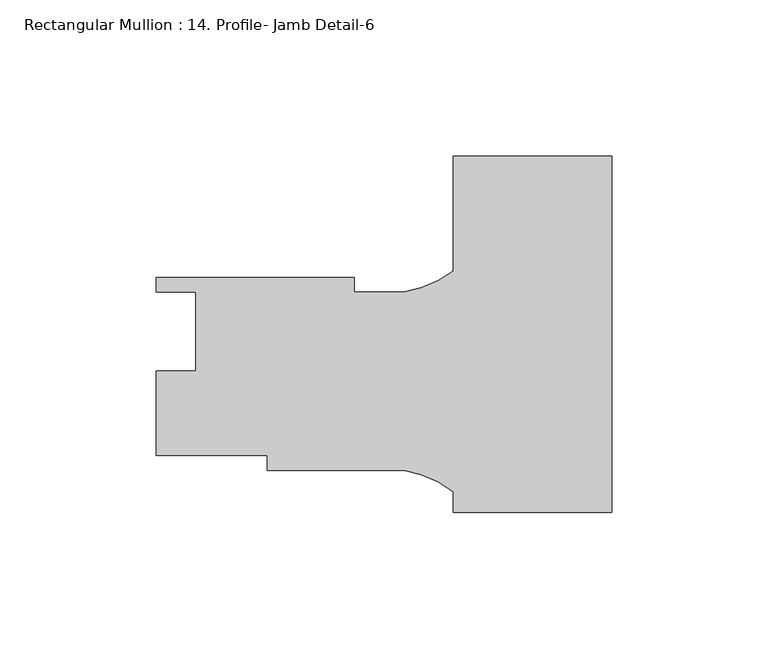
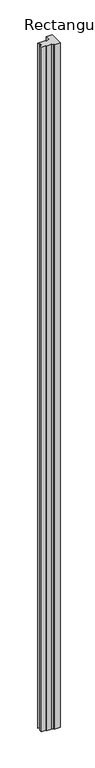
"""IFC4 building model written with IfcOpenShell, lengths in millimetres: member geometry, Rectangular Mullion : 14. Profile- Jamb Detail-6."""

import ifcopenshell
import ifcopenshell.guid

model = None  # the IFC model being written
_history = None  # IfcOwnerHistory: only IFC2X3 demands one
_inside = {}  # id of a spatial element -> (the spatial element, [elements in it])
_under = {}  # id of a project, library or spatial element -> (it, [spatial elements below it])
_declared = {}  # id of a project -> (the project, [libraries it declares])
_typed = {}  # id of a type object -> (the type object, [elements of that type])
_made_of = {}  # id of a material, layer set ... -> (it, [elements and type objects made of it])


def new_model(schema):
    """Start an empty IFC model of exactly this schema.

    Asked for "IFC4X3", IfcOpenShell would pick the latest addendum, in which some entities
    have other attributes; the version numbers below select the first issue.
    IFC2X3 requires an IfcOwnerHistory on every rooted entity: one is made here for all.
    """
    global model, _history
    if schema == "IFC4X3":
        model = ifcopenshell.file(schema_version=(4, 3, 0, 0))
    else:
        model = ifcopenshell.file(schema=schema)
    _inside.clear()
    _under.clear()
    _declared.clear()
    _typed.clear()
    _made_of.clear()
    _history = None
    if model.schema == "IFC2X3":
        org = make("IfcOrganization", Name="unknown")
        user = make(
            "IfcPersonAndOrganization",
            ThePerson=make("IfcPerson", FamilyName="unknown"),
            TheOrganization=org,
        )
        app = make(
            "IfcApplication",
            ApplicationDeveloper=org,
            Version="unknown",
            ApplicationFullName="unknown",
            ApplicationIdentifier="unknown",
        )
        _history = make(
            "IfcOwnerHistory",
            OwningUser=user,
            OwningApplication=app,
            ChangeAction="ADDED",
            CreationDate=0,
        )
    return model


def make(cls, **values):
    """One entity of the class cls with the attributes given. An attribute that is None is left unset."""
    return model.create_entity(
        cls, **{name: value for name, value in values.items() if value is not None}
    )


def rooted(cls, **values):
    """An entity with a GlobalId (a new one), such as an element, a storey or a relation."""
    return make(cls, GlobalId=ifcopenshell.guid.new(), OwnerHistory=_history, **values)


def si_unit(unit_type, name, prefix=None):
    """IfcSIUnit, for example si_unit("LENGTHUNIT", "METRE", prefix="MILLI")."""
    return make("IfcSIUnit", UnitType=unit_type, Prefix=prefix, Name=name)


def assignment(units):
    """IfcUnitAssignment: the units of a project."""
    return None if units is None else make("IfcUnitAssignment", Units=units)


def point(xyz):
    """IfcCartesianPoint."""
    return None if xyz is None else make("IfcCartesianPoint", Coordinates=xyz)


def direction(xyz):
    """IfcDirection."""
    return None if xyz is None else make("IfcDirection", DirectionRatios=xyz)


def frame(location, z_axis=None, x_axis=None):
    """IfcAxis2Placement3D, a coordinate frame: its origin and axes. An axis left out is left unset."""
    return make(
        "IfcAxis2Placement3D",
        Location=point(location),
        Axis=direction(z_axis),
        RefDirection=direction(x_axis),
    )


def frame_2d(location, x_axis=None):
    """IfcAxis2Placement2D, a coordinate frame in the plane: its origin and x axis."""
    return make(
        "IfcAxis2Placement2D", Location=point(location), RefDirection=direction(x_axis)
    )


def origin():
    """The frame at (0, 0, 0) with its axes left unset."""
    return frame((0.0, 0.0, 0.0))


def place(relative_to, where):
    """IfcLocalPlacement: puts the frame where relative to a parent placement (None: the world)."""
    return make(
        "IfcLocalPlacement", PlacementRelTo=relative_to, RelativePlacement=where
    )


def context(
    kind, dimensions, precision=None, world=None, true_north=None, identifier=None
):
    """IfcGeometricRepresentationContext, for example the 3D "Model" context."""
    return make(
        "IfcGeometricRepresentationContext",
        ContextIdentifier=identifier,
        ContextType=kind,
        CoordinateSpaceDimension=dimensions,
        Precision=precision,
        WorldCoordinateSystem=world,
        TrueNorth=true_north,
    )


def project(units=None, contexts=None):
    """IfcProject with its units and contexts."""
    return rooted(
        "IfcProject",
        Name="project",
        RepresentationContexts=contexts,
        UnitsInContext=assignment(units),
    )


def spatial(cls, under=None, at=None, **own):
    """A site, building, storey or space (cls), placed at a placement, below another one or the project."""
    s = rooted(cls, ObjectPlacement=at, **own)
    if under is not None:
        _under.setdefault(under.id(), (under, []))[1].append(s)
    return s


def polyline(points):
    """IfcPolyline through the points."""
    return make("IfcPolyline", Points=[point(p) for p in points])


def circle_curve(where, radius):
    """IfcCircle in the frame where."""
    return make("IfcCircle", Position=where, Radius=radius)


def trimmed(basis, trim1, trim2, sense, master):
    """IfcTrimmedCurve: the piece of a basis curve between two trims."""
    return make(
        "IfcTrimmedCurve",
        BasisCurve=basis,
        Trim1=trim1,
        Trim2=trim2,
        SenseAgreement=sense,
        MasterRepresentation=master,
    )


def segment(curve, same_sense, transition):
    """IfcCompositeCurveSegment."""
    return make(
        "IfcCompositeCurveSegment",
        Transition=transition,
        SameSense=same_sense,
        ParentCurve=curve,
    )


def composite_curve(segments, self_intersect=None):
    """IfcCompositeCurve: segments joined end to end."""
    return make("IfcCompositeCurve", Segments=segments, SelfIntersect=self_intersect)


def outline(outer, holes=None, kind="AREA"):
    """IfcArbitraryClosedProfileDef: a profile drawn as a closed curve; with holes, ...WithVoids."""
    if holes is None:
        return make("IfcArbitraryClosedProfileDef", ProfileType=kind, OuterCurve=outer)
    return make(
        "IfcArbitraryProfileDefWithVoids",
        ProfileType=kind,
        OuterCurve=outer,
        InnerCurves=holes,
    )


def extrude(swept, where, along, depth):
    """IfcExtrudedAreaSolid: the profile swept, set in the frame where, extruded along a direction by depth."""
    return make(
        "IfcExtrudedAreaSolid",
        SweptArea=swept,
        Position=where,
        ExtrudedDirection=direction(along),
        Depth=depth,
    )


def shape(context_of_items, identifier, shape_type, items):
    """IfcShapeRepresentation: the items that make up one representation, for example the "Body"."""
    return make(
        "IfcShapeRepresentation",
        ContextOfItems=context_of_items,
        RepresentationIdentifier=identifier,
        RepresentationType=shape_type,
        Items=items,
    )


def source(mapping_origin, context_of_items, identifier, shape_type, items):
    """IfcRepresentationMap: a shape defined once, which mapped items show again and again."""
    return make(
        "IfcRepresentationMap",
        MappingOrigin=mapping_origin,
        MappedRepresentation=shape(context_of_items, identifier, shape_type, items),
    )


def transform(
    local_origin,
    x_axis=None,
    y_axis=None,
    z_axis=None,
    scale=None,
    scale2=None,
    scale3=None,
    uniform=True,
):
    """IfcCartesianTransformationOperator3D, or its non-uniform kind. x_axis, y_axis, z_axis: its Axis1, 2, 3."""
    if uniform:
        return make(
            "IfcCartesianTransformationOperator3D",
            Axis1=direction(x_axis),
            Axis2=direction(y_axis),
            LocalOrigin=point(local_origin),
            Scale=scale,
            Axis3=direction(z_axis),
        )
    return make(
        "IfcCartesianTransformationOperator3DnonUniform",
        Axis1=direction(x_axis),
        Axis2=direction(y_axis),
        LocalOrigin=point(local_origin),
        Scale=scale,
        Axis3=direction(z_axis),
        Scale2=scale2,
        Scale3=scale3,
    )


def mapped(mapping_source, mapping_target):
    """IfcMappedItem: shows the shape of a source again, moved by a transform."""
    return make(
        "IfcMappedItem", MappingSource=mapping_source, MappingTarget=mapping_target
    )


def made_of(thing, what):
    """Note that an element or type object is made of a material, layer set ...; save() writes the relation."""
    if what is not None:
        _made_of.setdefault(what.id(), (what, []))[1].append(thing)
    return thing


def element(
    cls,
    number,
    at=None,
    inside=None,
    cuts=None,
    type_object=None,
    material=None,
    context=None,
    identifier="Body",
    shape_type=None,
    held_by="IfcProductDefinitionShape",
    body=None,
    shapes=None,
    **own,
):
    """One element of the class cls, such as IfcWall. Its Tag is "e" and its number.

    at: its placement. inside: the storey or other place that contains it. cuts: it is an
    opening in that element (IfcRelVoidsElement). A single representation is given by context,
    identifier, shape_type and body (its items); several are given by shapes. held_by: the class
    of the entity that holds the representations. save() writes the other relations.
    """
    e = rooted(cls, Tag="e%d" % number, ObjectPlacement=at, **own)
    if body is not None:
        shapes = [shape(context, identifier, shape_type, body)]
    if shapes is not None:
        e.Representation = make(held_by, Representations=shapes)
    if inside is not None:
        _inside.setdefault(inside.id(), (inside, []))[1].append(e)
    if cuts is not None:
        rooted(
            "IfcRelVoidsElement", RelatingBuildingElement=cuts, RelatedOpeningElement=e
        )
    if type_object is not None:
        _typed.setdefault(type_object.id(), (type_object, []))[1].append(e)
    return made_of(e, material)


def aggregate(whole, parts):
    """IfcRelAggregates: a whole, such as a stair, and the parts it consists of."""
    return rooted("IfcRelAggregates", RelatingObject=whole, RelatedObjects=parts)


def save(model, path):
    """Write the relations noted so far, then the file.

    IfcRelAggregates (storeys below a building ...), IfcRelContainedInSpatialStructure (elements
    in a storey), IfcRelDefinesByType, IfcRelAssociatesMaterial and IfcRelDeclares: one each for
    every whole, place, type object, material and project.
    """
    for whole, parts in _under.values():
        aggregate(whole, parts)
    for where, things in _inside.values():
        rooted(
            "IfcRelContainedInSpatialStructure",
            RelatedElements=things,
            RelatingStructure=where,
        )
    for kind, things in _typed.values():
        rooted("IfcRelDefinesByType", RelatedObjects=things, RelatingType=kind)
    for what, things in _made_of.values():
        rooted("IfcRelAssociatesMaterial", RelatedObjects=things, RelatingMaterial=what)
    for by, libraries in _declared.values():
        rooted("IfcRelDeclares", RelatingContext=by, RelatedDefinitions=libraries)
    model.write(path)


def rectangular_mullion_14_profile_jamb_detail_6_4a6a8784(model_context):
    return source(origin(), model_context, "Body", "SweptSolid", [
        extrude(outline(composite_curve([segment(polyline([(0.0, -57.1435547), (-50.7982055, -57.1435547), (-50.7982055, -50.5178726)]), True, "CONTINUOUS"), segment(trimmed(circle_curve(frame_2d((-72.9825062, -80.0619097)), 36.945816), [point((-50.7982055, -50.5178726))], [point((-66.6154916, -43.6688547))], True, "CARTESIAN"), True, "CONTINUOUS"), segment(polyline([(-66.6154916, -43.6688547), (-110.394266, -43.6688547), (-110.394266, -38.9063547), (-146.0482055, -38.9063547), (-146.0482055, -11.8553547), (-133.3482055, -11.8553547), (-133.3482055, 13.5446453), (-146.0482055, 13.5446453), (-146.0482055, 18.2436453), (-82.5482055, 18.2436453), (-82.5482055, 13.4811453), (-66.6169422, 13.4811453)]), True, "CONTINUOUS"), segment(trimmed(circle_curve(frame_2d((-72.9825062, 49.8744539)), 36.945816), [point((-66.6169422, 13.4811453))], [point((-50.7982055, 20.3304168))], True, "CARTESIAN"), True, "CONTINUOUS"), segment(polyline([(-50.7982055, 20.3304168), (-50.7982055, 57.1564453), (0.0, 57.1564453), (0.0, -57.1435547)]), True, "CONTINUOUS")], self_intersect=False)), frame((0.0, 0.0, -6096.0), z_axis=(0.0, 0.0, 1.0), x_axis=(1.0, 0.0, 0.0)), (0.0, 0.0, 1.0), 6096.0),
    ])


if __name__ == "__main__":
    model = new_model("IFC4")
    model_context = context("Model", 3, world=origin())
    ifc_project = project(units=[si_unit("LENGTHUNIT", "METRE", prefix="MILLI")], contexts=[model_context])
    site = spatial("IfcSite", under=ifc_project)
    building = spatial("IfcBuilding", under=site)
    placement = place(None, origin())
    rectangular_mullion_14_profile_jamb_detail_6_shape = rectangular_mullion_14_profile_jamb_detail_6_4a6a8784(model_context)
    element("IfcMember", 1, ObjectType="Rectangular Mullion : 14. Profile- Jamb Detail-6", at=placement, inside=building, context=model_context, shape_type="MappedRepresentation", body=[
        mapped(rectangular_mullion_14_profile_jamb_detail_6_shape, transform((0.0, 0.0, 0.0), x_axis=(1.0, 0.0, 0.0), y_axis=(0.0, 1.0, 0.0), z_axis=(0.0, 0.0, 1.0))),
    ])
    save(model, "model.ifc")
